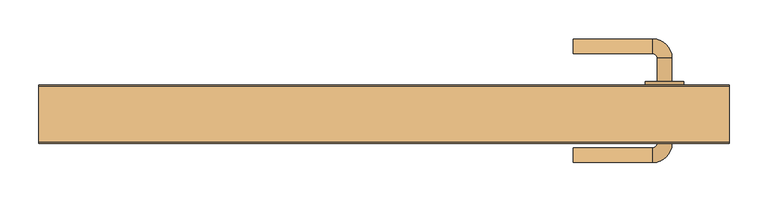
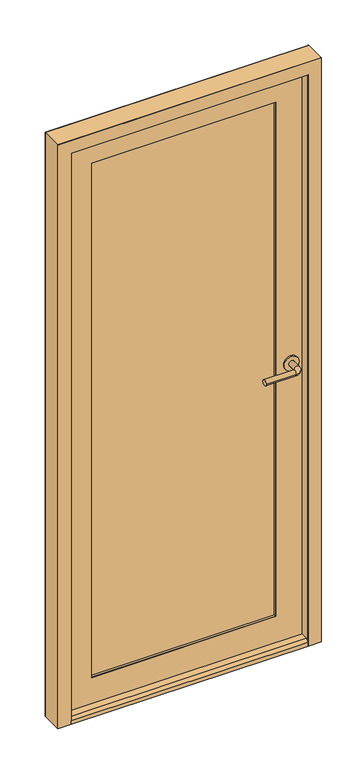
"""IFC4 building model written with IfcOpenShell, lengths in millimetres: door geometry."""

from ifc_helpers import new_model, si_unit, point, frame, frame_2d, origin, place, context, project, spatial, polyline, circle_curve, ellipse_curve, trimmed, segment, composite_curve, outline, extrude, faceted_brep, source, transform, mapped, element, save
from ifc_brep_helpers import plane_surface, cylinder_surface, revolved_surface, advanced_brep


def door_53a7e863(model_context):
    return source(origin(), model_context, "Body", "SolidModel", [
        faceted_brep([(410.0, 49.0, 12.0), (410.0, 9.0, 12.0), (398.0, 9.0, 12.0), (398.0, -26.0, 12.0), (-398.0, -26.0, 12.0), (-398.0, 9.0, 12.0), (-410.0, 9.0, 12.0), (-410.0, 49.0, 12.0), (398.0, -26.0, 26.0), (-398.0, -26.0, 26.0), (398.0, -16.0, 34.0), (-398.0, -16.0, 34.0), (398.0, 9.0, 34.0), (-398.0, 9.0, 34.0), (398.0, 9.0, 26.0), (-398.0, 9.0, 26.0), (410.0, 9.0, 26.0), (410.0, 49.0, 26.0), (-410.0, 49.0, 26.0), (-410.0, 9.0, 26.0)], [[[0, 1, 2, 3, 4, 5, 6, 7]], [[3, 8, 9, 4]], [[8, 10, 11, 9]], [[10, 12, 13, 11]], [[12, 14, 15, 13]], [[16, 17, 18, 19, 15, 14]], [[17, 0, 7, 18]], [[16, 1, 0, 17]], [[1, 16, 14, 2]], [[2, 14, 12, 10, 8, 3]], [[15, 5, 4, 9, 11, 13]], [[5, 15, 19, 6]], [[6, 19, 18, 7]]]),
        advanced_brep(
        [(369.6211583, 49.0, 1012.0), (350.6211583, 49.0, 1012.0), (369.6211583, 84.0, 1012.0), (350.6211583, 84.0, 1012.0), (345.1211583, 89.5, 1012.0), (345.1211583, 108.5, 1012.0), (243.1211583, 108.5, 1012.0), (243.1211583, 89.5, 1012.0)],
        [
            (0, 1, circle_curve(frame((360.1211583, 49.0, 1012.0), z_axis=(0.0, -1.0, 0.0), x_axis=(-1.0, 0.0, 0.0)), 9.5)),
            (1, 0, circle_curve(frame((360.1211583, 49.0, 1012.0), z_axis=(0.0, -1.0, 0.0), x_axis=(-1.0, 0.0, 0.0)), 9.5)),
            (0, 2),
            (2, 3, circle_curve(frame((360.1211583, 84.0, 1012.0), z_axis=(0.0, -1.0, 0.0), x_axis=(-1.0, 0.0, 0.0)), 9.5)),
            (3, 1),
            (3, 2, circle_curve(frame((360.1211583, 84.0, 1012.0), z_axis=(0.0, -1.0, 0.0), x_axis=(-1.0, 0.0, 0.0)), 9.5)),
            (4, 3, circle_curve(frame((345.1211583, 84.0, 1012.0), z_axis=(0.0, 0.0, -1.0), x_axis=(1.0, 0.0, 0.0)), 5.5)),
            (2, 5, circle_curve(frame((345.1211583, 84.0, 1012.0), z_axis=(0.0, 0.0, 1.0), x_axis=(1.0, 0.0, 0.0)), 24.5)),
            (5, 4, circle_curve(frame((345.1211583, 99.0, 1012.0), z_axis=(1.0, 0.0, 0.0), x_axis=(0.0, -1.0, 0.0)), 9.5)),
            (4, 5, circle_curve(frame((345.1211583, 99.0, 1012.0), z_axis=(1.0, 0.0, 0.0), x_axis=(0.0, -1.0, 0.0)), 9.5)),
            (6, 7, circle_curve(frame((243.1211583, 99.0, 1012.0), z_axis=(-1.0, 0.0, 0.0), x_axis=(0.0, -1.0, 0.0)), 9.5)),
            (7, 6, circle_curve(frame((243.1211583, 99.0, 1012.0), z_axis=(-1.0, 0.0, 0.0), x_axis=(0.0, -1.0, 0.0)), 9.5)),
            (5, 6),
            (7, 4),
        ],
        [
            plane_surface(frame((360.1211583, 49.0, 12.0), z_axis=(0.0, -1.0, 0.0), x_axis=(0.0, 0.0, -1.0))),
            cylinder_surface(frame((360.1211583, 49.0, 1012.0), z_axis=(0.0, -1.0, 0.0), x_axis=(-1.0, 0.0, 0.0)), 9.5),
            revolved_surface(trimmed(ellipse_curve(frame((360.1211583, 84.0, 1012.0), z_axis=(0.0, -1.0, 0.0), x_axis=(-1.0, 0.0, 0.0)), 9.5, 9.5), [point((369.6211583, 84.0, 1012.0))], [point((350.6211583, 84.0, 1012.0))], True, "CARTESIAN"), (345.1211583, 84.0, 12.0), (0.0, 0.0, 1.0)),
            revolved_surface(trimmed(ellipse_curve(frame((360.1211583, 84.0, 1012.0), z_axis=(0.0, -1.0, 0.0), x_axis=(-1.0, 0.0, 0.0)), 9.5, 9.5), [point((350.6211583, 84.0, 1012.0))], [point((369.6211583, 84.0, 1012.0))], True, "CARTESIAN"), (345.1211583, 84.0, 12.0), (0.0, 0.0, 1.0)),
            plane_surface(frame((243.1211583, 99.0, 12.0), z_axis=(-1.0, 0.0, 0.0), x_axis=(0.0, 0.0, -1.0))),
            cylinder_surface(frame((345.1211583, 99.0, 1012.0), z_axis=(1.0, 0.0, 0.0), x_axis=(0.0, -1.0, 0.0)), 9.5),
        ],
        [
            (0, [[1, 2]]),
            (1, [[-1, 3, 4, 5]]),
            (1, [[-2, -5, 6, -3]]),
            (2, [[7, -4, 8, 9]]),
            (3, [[-8, -6, -7, 10]]),
            (4, [[11, 12]]),
            (5, [[-9, 13, -12, 14]]),
            (5, [[-10, -14, -11, -13]]),
        ],
    ),
        extrude(outline(composite_curve([segment(trimmed(circle_curve(frame_2d((1012.0, 360.1211583)), 25.0), [point((1012.0, 385.1211583))], [point((1012.0, 335.1211583))], False, "CARTESIAN"), True, "CONTINUOUS"), segment(trimmed(circle_curve(frame_2d((1012.0, 360.1211583)), 25.0), [point((1012.0, 335.1211583))], [point((1012.0, 385.1211583))], False, "CARTESIAN"), True, "CONTINUOUS")], self_intersect=False), holes=[composite_curve([segment(trimmed(circle_curve(frame_2d((1012.0, 360.1211583)), 9.5), [point((1012.0, 369.6211583))], [point((1012.0, 350.6211583))], True, "CARTESIAN"), True, "CONTINUOUS"), segment(trimmed(circle_curve(frame_2d((1012.0, 360.1211583)), 9.5), [point((1012.0, 350.6211583))], [point((1012.0, 369.6211583))], True, "CARTESIAN"), True, "CONTINUOUS")], self_intersect=False)]), frame((0.0, 49.0, 0.0), z_axis=(0.0, 1.0, 0.0), x_axis=(0.0, 0.0, 1.0)), (0.0, 0.0, 1.0), 5.0),
        advanced_brep(
        [(369.6211583, 9.0, 1012.0), (350.6211583, 9.0, 1012.0), (350.6211583, -26.0, 1012.0), (369.6211583, -26.0, 1012.0), (345.1211583, -31.5, 1012.0), (345.1211583, -50.5, 1012.0), (243.1211583, -50.5, 1012.0), (243.1211583, -31.5, 1012.0)],
        [
            (0, 1, circle_curve(frame((360.1211583, 9.0, 1012.0), z_axis=(0.0, 1.0, 0.0), x_axis=(-1.0, 0.0, 0.0)), 9.5)),
            (1, 0, circle_curve(frame((360.1211583, 9.0, 1012.0), z_axis=(0.0, 1.0, 0.0), x_axis=(-1.0, 0.0, 0.0)), 9.5)),
            (1, 2),
            (2, 3, circle_curve(frame((360.1211583, -26.0, 1012.0), z_axis=(0.0, 1.0, 0.0), x_axis=(-1.0, 0.0, 0.0)), 9.5)),
            (3, 0),
            (3, 2, circle_curve(frame((360.1211583, -26.0, 1012.0), z_axis=(0.0, 1.0, 0.0), x_axis=(-1.0, 0.0, 0.0)), 9.5)),
            (4, 5, circle_curve(frame((345.1211583, -41.0, 1012.0), z_axis=(1.0, 0.0, 0.0), x_axis=(0.0, 1.0, 0.0)), 9.5)),
            (5, 3, circle_curve(frame((345.1211583, -26.0, 1012.0), z_axis=(0.0, 0.0, 1.0), x_axis=(1.0, 0.0, 0.0)), 24.5)),
            (2, 4, circle_curve(frame((345.1211583, -26.0, 1012.0), z_axis=(0.0, 0.0, -1.0), x_axis=(1.0, 0.0, 0.0)), 5.5)),
            (5, 4, circle_curve(frame((345.1211583, -41.0, 1012.0), z_axis=(1.0, 0.0, 0.0), x_axis=(0.0, 1.0, 0.0)), 9.5)),
            (6, 7, circle_curve(frame((243.1211583, -41.0, 1012.0), z_axis=(-1.0, 0.0, 0.0), x_axis=(0.0, 1.0, 0.0)), 9.5)),
            (7, 6, circle_curve(frame((243.1211583, -41.0, 1012.0), z_axis=(-1.0, 0.0, 0.0), x_axis=(0.0, 1.0, 0.0)), 9.5)),
            (4, 7),
            (6, 5),
        ],
        [
            plane_surface(frame((360.1211583, 9.0, 12.0), z_axis=(0.0, 1.0, 0.0), x_axis=(0.0, 0.0, -1.0))),
            cylinder_surface(frame((360.1211583, 9.0, 1012.0), z_axis=(0.0, 1.0, 0.0), x_axis=(-1.0, 0.0, 0.0)), 9.5),
            revolved_surface(trimmed(ellipse_curve(frame((360.1211583, -26.0, 1012.0), z_axis=(0.0, -1.0, 0.0), x_axis=(-1.0, 0.0, 0.0)), 9.5, 9.5), [point((369.6211583, -26.0, 1012.0))], [point((350.6211583, -26.0, 1012.0))], True, "CARTESIAN"), (345.1211583, -26.0, 12.0), (0.0, 0.0, 1.0)),
            revolved_surface(trimmed(ellipse_curve(frame((360.1211583, -26.0, 1012.0), z_axis=(0.0, -1.0, 0.0), x_axis=(-1.0, 0.0, 0.0)), 9.5, 9.5), [point((350.6211583, -26.0, 1012.0))], [point((369.6211583, -26.0, 1012.0))], True, "CARTESIAN"), (345.1211583, -26.0, 12.0), (0.0, 0.0, 1.0)),
            plane_surface(frame((243.1211583, -41.0, 12.0), z_axis=(-1.0, 0.0, 0.0), x_axis=(0.0, 0.0, -1.0))),
            cylinder_surface(frame((345.1211583, -41.0, 1012.0), z_axis=(1.0, 0.0, 0.0), x_axis=(0.0, 1.0, 0.0)), 9.5),
        ],
        [
            (0, [[1, 2]]),
            (1, [[3, 4, 5, -2]]),
            (1, [[-5, 6, -3, -1]]),
            (2, [[7, 8, -4, 9]]),
            (3, [[10, -9, -6, -8]]),
            (4, [[11, 12]]),
            (5, [[13, -11, 14, -7]]),
            (5, [[-14, -12, -13, -10]]),
        ],
    ),
        extrude(outline(composite_curve([segment(trimmed(circle_curve(frame_2d((1012.0, 360.1211583)), 25.0), [point((1012.0, 385.1211583))], [point((1012.0, 335.1211583))], False, "CARTESIAN"), True, "CONTINUOUS"), segment(trimmed(circle_curve(frame_2d((1012.0, 360.1211583)), 25.0), [point((1012.0, 335.1211583))], [point((1012.0, 385.1211583))], False, "CARTESIAN"), True, "CONTINUOUS")], self_intersect=False), holes=[composite_curve([segment(trimmed(circle_curve(frame_2d((1012.0, 360.1211583)), 9.5), [point((1012.0, 369.6211583))], [point((1012.0, 350.6211583))], True, "CARTESIAN"), True, "CONTINUOUS"), segment(trimmed(circle_curve(frame_2d((1012.0, 360.1211583)), 9.5), [point((1012.0, 350.6211583))], [point((1012.0, 369.6211583))], True, "CARTESIAN"), True, "CONTINUOUS")], self_intersect=False)]), frame((0.0, 4.0, 0.0), z_axis=(0.0, 1.0, 0.0), x_axis=(0.0, 0.0, 1.0)), (0.0, 0.0, 1.0), 5.0),
        extrude(outline(polyline([(2055.0, -410.0), (27.0, -410.0), (27.0, 410.0), (2055.0, 410.0), (2055.0, -410.0)]), holes=[polyline([(1955.0, -310.0), (1955.0, 310.0), (127.0, 310.0), (127.0, -310.0), (1955.0, -310.0)])]), frame((0.0, 48.0, 0.0), z_axis=(0.0, 1.0, 0.0), x_axis=(0.0, 0.0, 1.0)), (0.0, 0.0, 1.0), 1.0),
        extrude(outline(polyline([(2055.0, 410.0), (2055.0, -410.0), (27.0, -410.0), (27.0, 410.0), (2055.0, 410.0)]), holes=[polyline([(1955.0, -310.0), (1955.0, 310.0), (127.0, 310.0), (127.0, -310.0), (1955.0, -310.0)])]), frame((0.0, 9.0, 0.0), z_axis=(0.0, 1.0, 0.0), x_axis=(0.0, 0.0, 1.0)), (0.0, 0.0, 1.0), 1.0),
        extrude(outline(polyline([(-310.0, 39.0), (310.0, 39.0), (310.0, 19.0), (-310.0, 19.0), (-310.0, 39.0)])), frame((0.0, 0.0, 127.0), z_axis=(0.0, 0.0, 1.0), x_axis=(1.0, 0.0, 0.0)), (0.0, 0.0, 1.0), 1828.0),
        extrude(outline(polyline([(2055.0, 410.0), (2055.0, -410.0), (27.0, -410.0), (27.0, 410.0), (2055.0, 410.0)]), holes=[polyline([(127.0, 310.0), (127.0, -310.0), (1955.0, -310.0), (1955.0, 310.0), (127.0, 310.0)])]), frame((0.0, 10.0, 0.0), z_axis=(0.0, 1.0, 0.0), x_axis=(0.0, 0.0, 1.0)), (0.0, 0.0, 1.0), 38.0),
        extrude(outline(polyline([(2088.0, 443.0), (2088.0, -443.0), (12.0, -443.0), (12.0, -410.0), (2055.0, -410.0), (2055.0, 410.0), (12.0, 410.0), (12.0, 443.0), (2088.0, 443.0)])), frame((0.0, 48.0, 0.0), z_axis=(0.0, 1.0, 0.0), x_axis=(0.0, 0.0, 1.0)), (0.0, 0.0, 1.0), 1.0),
        extrude(outline(polyline([(2088.0, -443.0), (12.0, -443.0), (12.0, -398.0), (2043.0, -398.0), (2043.0, 398.0), (12.0, 398.0), (12.0, 443.0), (2088.0, 443.0), (2088.0, -443.0)])), frame((0.0, -26.0, 0.0), z_axis=(0.0, 1.0, 0.0), x_axis=(0.0, 0.0, 1.0)), (0.0, 0.0, 1.0), 1.0),
        faceted_brep([(410.0, 48.0, 12.0), (443.0, 48.0, 12.0), (443.0, -25.0, 12.0), (398.0, -25.0, 12.0), (398.0, 9.0, 12.0), (410.0, 9.0, 12.0), (410.0, 48.0, 2055.0), (-410.0, 48.0, 2055.0), (-410.0, 48.0, 12.0), (-443.0, 48.0, 12.0), (-443.0, 48.0, 2088.0), (443.0, 48.0, 2088.0), (443.0, -25.0, 2088.0), (-443.0, -25.0, 2088.0), (-443.0, -25.0, 12.0), (-398.0, -25.0, 12.0), (-398.0, -25.0, 2043.0), (398.0, -25.0, 2043.0), (398.0, 9.0, 2043.0), (-398.0, 9.0, 2043.0), (-398.0, 9.0, 12.0), (-410.0, 9.0, 12.0), (-410.0, 9.0, 2055.0), (410.0, 9.0, 2055.0)], [[[0, 1, 2, 3, 4, 5]], [[1, 0, 6, 7, 8, 9, 10, 11]], [[2, 1, 11, 12]], [[3, 2, 12, 13, 14, 15, 16, 17]], [[4, 3, 17, 18]], [[5, 4, 18, 19, 20, 21, 22, 23]], [[0, 5, 23, 6]], [[7, 22, 21, 8]], [[8, 21, 20, 15, 14, 9]], [[13, 10, 9, 14]], [[19, 16, 15, 20]], [[12, 11, 10, 13]], [[18, 17, 16, 19]], [[6, 23, 22, 7]]]),
    ])


if __name__ == "__main__":
    model = new_model("IFC4")
    model_context = context("Model", 3, world=origin())
    ifc_project = project(units=[si_unit("LENGTHUNIT", "METRE", prefix="MILLI")], contexts=[model_context])
    site = spatial("IfcSite", under=ifc_project)
    building = spatial("IfcBuilding", under=site)
    placement = place(None, origin())
    door_shape = door_53a7e863(model_context)
    element("IfcDoor", 1, at=placement, inside=building, context=model_context, shape_type="MappedRepresentation", body=[
        mapped(door_shape, transform((0.0, 0.0, 0.0), x_axis=(1.0, 0.0, 0.0), y_axis=(0.0, 1.0, 0.0), z_axis=(0.0, 0.0, 1.0))),
    ])
    save(model, "model.ifc")
